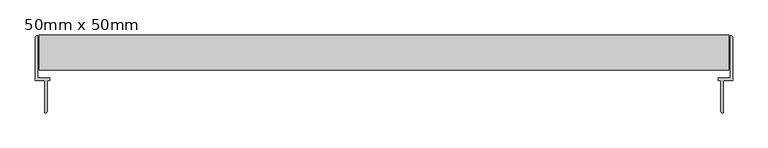
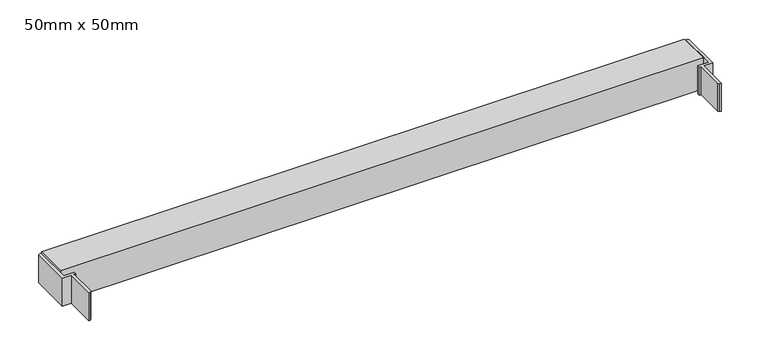
"""IFC4 building model written with IfcOpenShell, lengths in millimetres: plate geometry, 50mm x 50mm."""

from ifc_helpers import new_model, si_unit, frame, origin, place, context, project, spatial, polyline, outline, extrude, source, transform, mapped, element, save


def plate_50mm_x_50mm_e42f01ec(model_context):
    return source(origin(), model_context, "Body", "SweptSolid", [
        extrude(outline(polyline([(-496.0000001, 168.7422404), (-494.0000001, 170.7422404), (-492.0000001, 170.7422404), (-492.0000001, 110.7422404), (-475.5000001, 110.7422404), (-475.5000001, 106.7422404), (-478.5000001, 106.7422404), (-478.5000001, 62.7422404), (-480.5000001, 60.7422404), (-482.5000001, 60.7422404), (-482.5000001, 106.7422404), (-496.0000001, 106.7422404), (-496.0000001, 168.7422404)])), frame((0.0, 0.0, 20.0338898), z_axis=(0.0, 0.0, 1.0), x_axis=(1.0, 0.0, 0.0)), (0.0, 0.0, 1.0), 45.0),
        extrude(outline(polyline([(496.0000001, 168.7422404), (496.0000001, 106.7422404), (482.5000001, 106.7422404), (482.5000001, 60.7422404), (480.5000001, 60.7422404), (478.5000001, 62.7422404), (478.5000001, 106.7422404), (475.5000001, 106.7422404), (475.5000001, 110.7422404), (492.0000001, 110.7422404), (492.0000001, 170.7422404), (494.0000001, 170.7422404), (496.0000001, 168.7422404)])), frame((0.0, 0.0, 20.0338898), z_axis=(0.0, 0.0, 1.0), x_axis=(1.0, 0.0, 0.0)), (0.0, 0.0, 1.0), 45.0),
        extrude(outline(polyline([(171.7, 66.0316945), (171.7, 16.0316945), (121.7, 16.0316945), (121.7, 66.0316945), (171.7, 66.0316945)]), holes=[polyline([(131.7, 56.0316945), (131.7, 26.0316945), (161.7, 26.0316945), (161.7, 56.0316945), (131.7, 56.0316945)])]), frame((-489.9999999, 0.0, 0.0), z_axis=(1.0, 0.0, 0.0), x_axis=(0.0, 1.0, 0.0)), (0.0, 0.0, 1.0), 979.9999998),
    ])


if __name__ == "__main__":
    model = new_model("IFC4")
    model_context = context("Model", 3, world=origin())
    ifc_project = project(units=[si_unit("LENGTHUNIT", "METRE", prefix="MILLI")], contexts=[model_context])
    site = spatial("IfcSite", under=ifc_project)
    building = spatial("IfcBuilding", under=site)
    placement = place(None, origin())
    plate_50mm_x_50mm_shape = plate_50mm_x_50mm_e42f01ec(model_context)
    element("IfcPlate", 1, ObjectType="50mm x 50mm", at=placement, inside=building, context=model_context, shape_type="MappedRepresentation", body=[
        mapped(plate_50mm_x_50mm_shape, transform((0.0, 0.0, 0.0), x_axis=(1.0, 0.0, 0.0), y_axis=(0.0, 1.0, 0.0), z_axis=(0.0, 0.0, 1.0))),
    ])
    save(model, "model.ifc")
